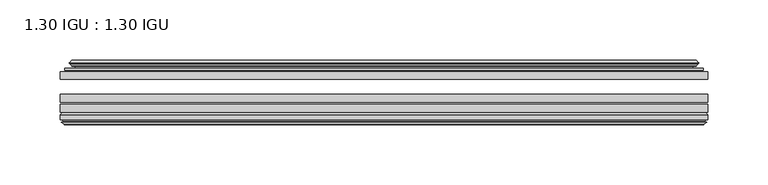
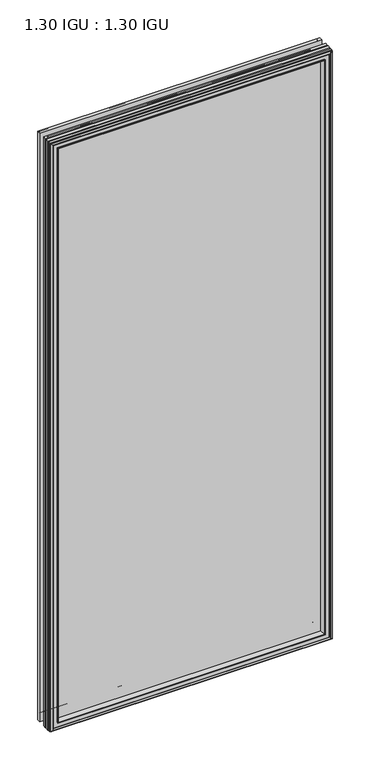
"""IFC4 building model written with IfcOpenShell, lengths in millimetres: plate geometry, 1.30 IGU : 1.30 IGU."""

from ifc_helpers import new_model, si_unit, frame, origin, place, context, project, spatial, polyline, ellipse_curve, outline, extrude, faceted_brep, source, transform, mapped, element, save
from ifc_brep_helpers import plane_surface, cylinder_surface, revolved_surface, advanced_brep


def plate_1_30_igu_1_30_igu_bfd92c26(model_context):
    return source(origin(), model_context, "Body", "SolidModel", [
        extrude(outline(polyline([(268.2205532, -44.92625), (268.2205532, -51.27625), (-268.2875, -51.27625), (-268.2875, -44.92625), (268.2205532, -44.92625)])), frame((0.0, 0.0, -14.2875), z_axis=(0.0, 0.0, 1.0), x_axis=(1.0, 0.0, 0.0)), (0.0, 0.0, 1.0), 1184.275),
        extrude(outline(polyline([(-268.2875, -78.58125), (-268.2875, -72.23125), (268.2205532, -72.23125), (268.2205532, -78.58125), (-268.2875, -78.58125)])), frame((0.0, 0.0, -14.2875), z_axis=(0.0, 0.0, 1.0), x_axis=(1.0, 0.0, 0.0)), (0.0, 0.0, 1.0), 1184.275),
        extrude(outline(polyline([(-268.2875, -70.32625), (-268.2875, -63.97625), (268.2205532, -63.97625), (268.2205532, -70.32625), (-268.2875, -70.32625)])), frame((0.0, 0.0, -14.2875), z_axis=(0.0, 0.0, 1.0), x_axis=(1.0, 0.0, 0.0)), (0.0, 0.0, 1.0), 1184.275),
        advanced_brep(
        [(-249.9522902, -43.8351483, 1151.6522902), (-250.3941004, -44.92625, 1152.0941004), (-250.3941004, -44.92625, 3.6058996), (-249.9522902, -43.8351483, 4.0477098), (-254.0, -36.11245, 1155.7), (-254.0, -36.11245, 0.0), (-259.1859109, -37.2935491, 1160.8859109), (-259.1859109, -37.2935491, -5.1859109), (-258.8563356, -36.4664324, 1160.5563356), (-258.8563356, -36.4664324, -4.8563356), (-258.8563356, -35.6521812, 1160.5563356), (-258.8563356, -35.6521812, -4.8563356), (-260.6726111, -37.610817, 1162.3726111), (-260.6726111, -37.610817, -6.6726111), (-260.6726111, -38.3239429, 1162.3726111), (-260.6726111, -38.3239429, -6.6726111), (-258.8563356, -40.2727974, 1160.5563356), (-258.8563356, -40.2727974, -4.8563356), (-258.8563356, -39.4683275, 1160.5563356), (-258.8563356, -39.4683275, -4.8563356), (-259.1782501, -38.6604367, 1160.8782501), (-259.1782501, -38.6604367, -5.1782501), (-256.6544379, -38.502045, 1158.3544379), (-256.6544379, -38.502045, -2.6544379), (-255.6286217, -39.1897544, 1157.3286217), (-255.6286217, -39.1897544, -1.6286217), (-255.7470288, -40.5842231, 1157.4470288), (-255.7470288, -40.5842231, -1.7470288), (-256.3487748, -42.08145, 1158.0487748), (-256.3487748, -42.08145, -2.3487748), (-264.2745553, -43.9898729, 1165.9745553), (-263.7889245, -42.08145, 1165.4889245), (-263.7889245, -42.08145, -9.7889245), (-264.2745553, -43.9898729, -10.2745553), (-262.5538155, -44.92625, 1164.2538155), (-262.5538155, -44.92625, -8.5538155), (250.3941004, -44.92625, 3.6058996), (249.9522902, -43.8351483, 4.0477098), (254.0, -36.11245, 0.0), (259.1859109, -37.2935491, -5.1859109), (258.8563356, -36.4664324, -4.8563356), (258.8563356, -35.6521812, -4.8563356), (260.6726111, -37.610817, -6.6726111), (260.6726111, -38.3239429, -6.6726111), (258.8563356, -40.2727974, -4.8563356), (258.8563356, -39.4683275, -4.8563356), (259.1782501, -38.6604367, -5.1782501), (256.6544379, -38.502045, -2.6544379), (255.6286217, -39.1897544, -1.6286217), (255.7470288, -40.5842231, -1.7470288), (256.3487748, -42.08145, -2.3487748), (263.7889245, -42.08145, -9.7889245), (264.2745553, -43.9898729, -10.2745553), (262.5538155, -44.92625, -8.5538155), (250.3941004, -44.92625, 1152.0941004), (249.9522902, -43.8351483, 1151.6522902), (254.0, -36.11245, 1155.7), (259.1859109, -37.2935491, 1160.8859109), (258.8563356, -36.4664324, 1160.5563356), (258.8563356, -35.6521812, 1160.5563356), (260.6726111, -37.610817, 1162.3726111), (260.6726111, -38.3239429, 1162.3726111), (258.8563356, -40.2727974, 1160.5563356), (258.8563356, -39.4683275, 1160.5563356), (259.1782501, -38.6604367, 1160.8782501), (256.6544379, -38.502045, 1158.3544379), (255.6286217, -39.1897544, 1157.3286217), (255.7470288, -40.5842231, 1157.4470288), (256.3487748, -42.08145, 1158.0487748), (263.7889245, -42.08145, 1165.4889245), (264.2745553, -43.9898729, 1165.9745553), (262.5538155, -44.92625, 1164.2538155)],
        [
            (0, 1, ellipse_curve(frame((-250.3941004, -44.29125, 1152.0941004), z_axis=(-0.7071067811865475, 0.0, -0.7071067811865475), x_axis=(-0.7071067811865474, 0.0, 0.7071067811865476)), 0.8980256, 0.635)),
            (1, 2),
            (2, 3, ellipse_curve(frame((-250.3941004, -44.29125, 3.6058996), z_axis=(-0.7071067811865475, 0.0, 0.7071067811865475), x_axis=(0.7071067811865474, 0.0, 0.7071067811865476)), 0.8980256, 0.635)),
            (3, 0),
            (4, 0, ellipse_curve(frame((-240.2672054, -33.8367745, 1141.9672054), z_axis=(0.7071067811865475, 0.0, 0.7071067811865475), x_axis=(0.7071067811865474, 0.0, -0.7071067811865476)), 19.6859517, 13.9200699)),
            (3, 5, ellipse_curve(frame((-240.2672054, -33.8367745, 13.7327946), z_axis=(0.7071067811865475, 0.0, -0.7071067811865475), x_axis=(-0.7071067811865474, 0.0, -0.7071067811865476)), 19.6859517, 13.9200699)),
            (5, 4),
            (6, 4),
            (5, 7),
            (7, 6),
            (8, 6),
            (7, 9),
            (9, 8),
            (10, 8),
            (9, 11),
            (11, 10),
            (12, 10),
            (11, 13),
            (13, 12),
            (14, 12, ellipse_curve(frame((-260.3107729, -37.96738, 1162.0107729), z_axis=(-0.7071067811865475, 0.0, -0.7071067811865475), x_axis=(-0.7071067811865474, 0.0, 0.7071067811865476)), 0.7184205, 0.508)),
            (13, 15, ellipse_curve(frame((-260.3107729, -37.96738, -6.3107729), z_axis=(-0.7071067811865475, 0.0, 0.7071067811865475), x_axis=(0.7071067811865474, 0.0, 0.7071067811865476)), 0.7184205, 0.508)),
            (15, 14),
            (16, 14),
            (15, 17),
            (17, 16),
            (18, 16),
            (17, 19),
            (19, 18),
            (20, 18),
            (19, 21),
            (21, 20),
            (22, 20),
            (21, 23),
            (23, 22),
            (24, 22, ellipse_curve(frame((-256.5908, -39.51605, 1158.2908), z_axis=(0.7071067811865475, 0.0, 0.7071067811865475), x_axis=(0.7071067811865474, 0.0, -0.7071067811865476)), 1.436841, 1.016)),
            (23, 25, ellipse_curve(frame((-256.5908, -39.51605, -2.5908), z_axis=(0.7071067811865475, 0.0, -0.7071067811865475), x_axis=(-0.7071067811865474, 0.0, -0.7071067811865476)), 1.436841, 1.016)),
            (25, 24),
            (26, 24, ellipse_curve(frame((-257.9624, -39.69385, 1159.6624), z_axis=(0.7071067811865475, 0.0, 0.7071067811865475), x_axis=(0.7071067811865474, 0.0, -0.7071067811865476)), 3.3765763, 2.3876)),
            (25, 27, ellipse_curve(frame((-257.9624, -39.69385, -3.9624), z_axis=(0.7071067811865475, 0.0, -0.7071067811865475), x_axis=(-0.7071067811865474, 0.0, -0.7071067811865476)), 3.3765763, 2.3876)),
            (27, 26),
            (28, 26),
            (27, 29),
            (29, 28),
            (30, 31, ellipse_curve(frame((-263.7889245, -43.09745, 1165.4889245), z_axis=(-0.7071067811865475, 0.0, -0.7071067811865475), x_axis=(-0.7071067811865474, 0.0, 0.7071067811865476)), 1.436841, 1.016)),
            (31, 32),
            (32, 33, ellipse_curve(frame((-263.7889245, -43.09745, -9.7889245), z_axis=(-0.7071067811865475, 0.0, 0.7071067811865475), x_axis=(0.7071067811865474, 0.0, 0.7071067811865476)), 1.436841, 1.016)),
            (33, 30),
            (34, 30),
            (33, 35),
            (35, 34),
            (2, 36),
            (36, 37, ellipse_curve(frame((250.3941004, -44.29125, 3.6058996), z_axis=(-0.7071067811865475, 0.0, -0.7071067811865475), x_axis=(-0.7071067811865476, 0.0, 0.7071067811865474)), 0.8980256, 0.635)),
            (37, 3),
            (37, 38, ellipse_curve(frame((240.2672054, -33.8367745, 13.7327946), z_axis=(0.7071067811865475, 0.0, 0.7071067811865475), x_axis=(0.7071067811865476, 0.0, -0.7071067811865474)), 19.6859517, 13.9200699)),
            (38, 5),
            (38, 39),
            (39, 7),
            (39, 40),
            (40, 9),
            (40, 41),
            (41, 11),
            (41, 42),
            (42, 13),
            (42, 43, ellipse_curve(frame((260.3107729, -37.96738, -6.3107729), z_axis=(-0.7071067811865475, 0.0, -0.7071067811865475), x_axis=(-0.7071067811865476, 0.0, 0.7071067811865474)), 0.7184205, 0.508)),
            (43, 15),
            (43, 44),
            (44, 17),
            (44, 45),
            (45, 19),
            (45, 46),
            (46, 21),
            (46, 47),
            (47, 23),
            (47, 48, ellipse_curve(frame((256.5908, -39.51605, -2.5908), z_axis=(0.7071067811865475, 0.0, 0.7071067811865475), x_axis=(0.7071067811865476, 0.0, -0.7071067811865474)), 1.436841, 1.016)),
            (48, 25),
            (48, 49, ellipse_curve(frame((257.9624, -39.69385, -3.9624), z_axis=(0.7071067811865475, 0.0, 0.7071067811865475), x_axis=(0.7071067811865476, 0.0, -0.7071067811865474)), 3.3765763, 2.3876)),
            (49, 27),
            (49, 50),
            (50, 29),
            (32, 51),
            (51, 52, ellipse_curve(frame((263.7889245, -43.09745, -9.7889245), z_axis=(-0.7071067811865475, 0.0, -0.7071067811865475), x_axis=(-0.7071067811865476, 0.0, 0.7071067811865474)), 1.436841, 1.016)),
            (52, 33),
            (52, 53),
            (53, 35),
            (36, 54),
            (54, 55, ellipse_curve(frame((250.3941004, -44.29125, 1152.0941004), z_axis=(0.7071067811865475, 0.0, -0.7071067811865475), x_axis=(-0.7071067811865474, 0.0, -0.7071067811865476)), 0.8980256, 0.635)),
            (55, 37),
            (55, 56, ellipse_curve(frame((240.2672054, -33.8367745, 1141.9672054), z_axis=(-0.7071067811865475, 0.0, 0.7071067811865475), x_axis=(0.7071067811865474, 0.0, 0.7071067811865476)), 19.6859517, 13.9200699)),
            (56, 38),
            (56, 57),
            (57, 39),
            (57, 58),
            (58, 40),
            (58, 59),
            (59, 41),
            (59, 60),
            (60, 42),
            (60, 61, ellipse_curve(frame((260.3107729, -37.96738, 1162.0107729), z_axis=(0.7071067811865475, 0.0, -0.7071067811865475), x_axis=(-0.7071067811865474, 0.0, -0.7071067811865476)), 0.7184205, 0.508)),
            (61, 43),
            (61, 62),
            (62, 44),
            (62, 63),
            (63, 45),
            (63, 64),
            (64, 46),
            (64, 65),
            (65, 47),
            (65, 66, ellipse_curve(frame((256.5908, -39.51605, 1158.2908), z_axis=(-0.7071067811865475, 0.0, 0.7071067811865475), x_axis=(0.7071067811865474, 0.0, 0.7071067811865476)), 1.436841, 1.016)),
            (66, 48),
            (66, 67, ellipse_curve(frame((257.9624, -39.69385, 1159.6624), z_axis=(-0.7071067811865475, 0.0, 0.7071067811865475), x_axis=(0.7071067811865474, 0.0, 0.7071067811865476)), 3.3765763, 2.3876)),
            (67, 49),
            (67, 68),
            (68, 50),
            (51, 69),
            (69, 70, ellipse_curve(frame((263.7889245, -43.09745, 1165.4889245), z_axis=(0.7071067811865475, 0.0, -0.7071067811865475), x_axis=(-0.7071067811865474, 0.0, -0.7071067811865476)), 1.436841, 1.016)),
            (70, 52),
            (70, 71),
            (71, 53),
            (54, 1),
            (0, 55),
            (4, 56),
            (6, 57),
            (8, 58),
            (10, 59),
            (12, 60),
            (14, 61),
            (16, 62),
            (18, 63),
            (20, 64),
            (22, 65),
            (24, 66),
            (26, 67),
            (28, 68),
            (31, 69),
            (30, 70),
            (34, 71),
        ],
        [
            cylinder_surface(frame((-250.3941004, -44.29125, 1187.45), z_axis=(0.0, 0.0, 1.0), x_axis=(-1.0, 0.0, 0.0)), 0.635),
            revolved_surface(polyline([(-254.18727529999998, -33.8367745, -0.18727534118079348), (-254.18727529999998, -33.8367745, 1155.8872753411808)]), (-240.2672054, -33.8367745, 1187.45), (0.0, 0.0, -1.0)),
            plane_surface(frame((-254.0, -36.11245, 1155.7), z_axis=(-0.22206498442778655, 0.975031867525922, 0.0), x_axis=(0.0, 0.0, -1.0))),
            plane_surface(frame((-259.1859109, -37.2935491, 1160.8859109), z_axis=(0.9289682685629922, -0.3701593656833182, 0.0), x_axis=(0.0, 0.0, -1.0))),
            plane_surface(frame((-258.8563356, -36.4664324, 1160.5563356), z_axis=(1.0, 0.0, 0.0), x_axis=(0.0, 0.0, -1.0))),
            plane_surface(frame((-258.8563356, -35.6521812, 1160.5563356), z_axis=(-0.7332521292723956, 0.6799568478348448, 0.0), x_axis=(0.0, 0.0, -1.0))),
            cylinder_surface(frame((-260.3107729, -37.96738, 1187.45), z_axis=(0.0, 0.0, 1.0), x_axis=(-1.0, 0.0, 0.0)), 0.508),
            plane_surface(frame((-260.6726111, -38.3239429, 1162.3726111), z_axis=(-0.7315522693036389, -0.6817853601220082, 0.0), x_axis=(0.0, 0.0, -1.0))),
            plane_surface(frame((-258.8563356, -40.2727974, 1160.5563356), z_axis=(1.0, 0.0, 0.0), x_axis=(0.0, 0.0, -1.0))),
            plane_surface(frame((-258.8563356, -39.4683275, 1160.5563356), z_axis=(0.9289682685631103, 0.37015936568302166, 0.0), x_axis=(0.0, 0.0, -1.0))),
            plane_surface(frame((-259.1782501, -38.6604367, 1160.8782501), z_axis=(0.06263570119321643, -0.9980364567169048, 0.0), x_axis=(0.0, 0.0, -1.0))),
            revolved_surface(polyline([(-257.6068, -39.51605, -3.6068000145867245), (-257.6068, -39.51605, 1159.3068000145868)]), (-256.5908, -39.51605, 1187.45), (0.0, 0.0, -1.0)),
            revolved_surface(polyline([(-260.35, -39.69385, -6.3499999989237494), (-260.35, -39.69385, 1162.0499999989238)]), (-257.9624, -39.69385, 1187.45), (0.0, 0.0, -1.0)),
            plane_surface(frame((-255.7470288, -40.5842231, 1157.4470288), z_axis=(-0.9278652925428912, 0.372915538553028, 0.0), x_axis=(0.0, 0.0, -1.0))),
            cylinder_surface(frame((-263.7889245, -43.09745, 1187.45), z_axis=(0.0, 0.0, 1.0), x_axis=(-1.0, 0.0, 0.0)), 1.016),
            plane_surface(frame((-264.2745553, -43.9898729, 1165.9745553), z_axis=(-0.477983117370979, -0.8783690223979446, 0.0), x_axis=(0.0, 0.0, -1.0))),
            cylinder_surface(frame((-285.75, -44.29125, 3.6058996), z_axis=(-1.0, 0.0, 0.0), x_axis=(0.0, 0.0, -1.0)), 0.635),
            revolved_surface(polyline([(254.1872753411808, -33.8367745, -0.1872752999999996), (-254.18727534118085, -33.8367745, -0.1872752999999996)]), (-285.75, -33.8367745, 13.7327946), (1.0, 0.0, 0.0)),
            plane_surface(frame((-254.0, -36.11245, 0.0), z_axis=(0.0, 0.9750318675259212, -0.2220649844277897), x_axis=(1.0, 0.0, 0.0))),
            plane_surface(frame((-259.1859109, -37.2935491, -5.1859109), z_axis=(0.0, -0.3701593656833152, 0.9289682685629934), x_axis=(1.0, 0.0, 0.0))),
            plane_surface(frame((-258.8563356, -36.4664324, -4.8563356), z_axis=(0.0, 0.0, 1.0), x_axis=(1.0, 0.0, 0.0))),
            plane_surface(frame((-258.8563356, -35.6521812, -4.8563356), z_axis=(0.0, 0.6799568478348423, -0.7332521292723978), x_axis=(1.0, 0.0, 0.0))),
            cylinder_surface(frame((-285.75, -37.96738, -6.3107729), z_axis=(-1.0, 0.0, 0.0), x_axis=(0.0, 0.0, -1.0)), 0.508),
            plane_surface(frame((-260.6726111, -38.3239429, -6.6726111), z_axis=(0.0, -0.6817853601220105, -0.7315522693036367), x_axis=(1.0, 0.0, 0.0))),
            plane_surface(frame((-258.8563356, -40.2727974, -4.8563356), z_axis=(0.0, 0.0, 1.0), x_axis=(1.0, 0.0, 0.0))),
            plane_surface(frame((-258.8563356, -39.4683275, -4.8563356), z_axis=(0.0, 0.37015936568302465, 0.9289682685631091), x_axis=(1.0, 0.0, 0.0))),
            plane_surface(frame((-259.1782501, -38.6604367, -5.1782501), z_axis=(0.0, -0.9980364567169046, 0.06263570119321968), x_axis=(1.0, 0.0, 0.0))),
            revolved_surface(polyline([(257.60680001458684, -39.51605, -3.6068000000000002), (-257.60680001458684, -39.51605, -3.6068000000000002)]), (-285.75, -39.51605, -2.5908), (1.0, 0.0, 0.0)),
            revolved_surface(polyline([(260.34999999892375, -39.69385, -6.35), (-260.3499999989238, -39.69385, -6.35)]), (-285.75, -39.69385, -3.9624), (1.0, 0.0, 0.0)),
            plane_surface(frame((-255.7470288, -40.5842231, -1.7470288), z_axis=(0.0, 0.372915538553025, -0.9278652925428924), x_axis=(1.0, 0.0, 0.0))),
            cylinder_surface(frame((-285.75, -43.09745, -9.7889245), z_axis=(-1.0, 0.0, 0.0), x_axis=(0.0, 0.0, -1.0)), 1.016),
            plane_surface(frame((-264.2745553, -43.9898729, -10.2745553), z_axis=(0.0, -0.8783690223979462, -0.47798311737097615), x_axis=(1.0, 0.0, 0.0))),
            cylinder_surface(frame((250.3941004, -44.29125, -31.75), z_axis=(0.0, 0.0, -1.0), x_axis=(1.0, 0.0, 0.0)), 0.635),
            revolved_surface(polyline([(254.18727529999998, -33.8367745, 1155.8872753411808), (254.18727529999998, -33.8367745, -0.1872753411808432)]), (240.2672054, -33.8367745, -31.75), (0.0, 0.0, 1.0)),
            plane_surface(frame((254.0, -36.11245, 0.0), z_axis=(0.2220649844277929, 0.9750318675259205, 0.0), x_axis=(0.0, 0.0, 1.0))),
            plane_surface(frame((259.1859109, -37.2935491, -5.1859109), z_axis=(-0.9289682685629946, -0.3701593656833122, 0.0), x_axis=(0.0, 0.0, 1.0))),
            plane_surface(frame((258.8563356, -36.4664324, -4.8563356), z_axis=(-1.0, 0.0, 0.0), x_axis=(0.0, 0.0, 1.0))),
            plane_surface(frame((258.8563356, -35.6521812, -4.8563356), z_axis=(0.7332521292724, 0.6799568478348399, 0.0), x_axis=(0.0, 0.0, 1.0))),
            cylinder_surface(frame((260.3107729, -37.96738, -31.75), z_axis=(0.0, 0.0, -1.0), x_axis=(1.0, 0.0, 0.0)), 0.508),
            plane_surface(frame((260.6726111, -38.3239429, -6.6726111), z_axis=(0.7315522693036345, -0.6817853601220129, 0.0), x_axis=(0.0, 0.0, 1.0))),
            plane_surface(frame((258.8563356, -40.2727974, -4.8563356), z_axis=(-1.0, 0.0, 0.0), x_axis=(0.0, 0.0, 1.0))),
            plane_surface(frame((258.8563356, -39.4683275, -4.8563356), z_axis=(-0.928968268563108, 0.3701593656830277, 0.0), x_axis=(0.0, 0.0, 1.0))),
            plane_surface(frame((259.1782501, -38.6604367, -5.1782501), z_axis=(-0.06263570119322293, -0.9980364567169043, 0.0), x_axis=(0.0, 0.0, 1.0))),
            revolved_surface(polyline([(257.6068, -39.51605, 1159.3068000145868), (257.6068, -39.51605, -3.606800014586863)]), (256.5908, -39.51605, -31.75), (0.0, 0.0, 1.0)),
            revolved_surface(polyline([(260.35, -39.69385, 1162.0499999989238), (260.35, -39.69385, -6.349999998923781)]), (257.9624, -39.69385, -31.75), (0.0, 0.0, 1.0)),
            plane_surface(frame((255.7470288, -40.5842231, -1.7470288), z_axis=(0.9278652925428936, 0.372915538553022, 0.0), x_axis=(0.0, 0.0, 1.0))),
            cylinder_surface(frame((263.7889245, -43.09745, -31.75), z_axis=(0.0, 0.0, -1.0), x_axis=(1.0, 0.0, 0.0)), 1.016),
            plane_surface(frame((264.2745553, -43.9898729, -10.2745553), z_axis=(0.47798311737097327, -0.8783690223979478, 0.0), x_axis=(0.0, 0.0, 1.0))),
            cylinder_surface(frame((285.75, -44.29125, 1152.0941004), z_axis=(1.0, 0.0, 0.0), x_axis=(0.0, 0.0, 1.0)), 0.635),
            revolved_surface(polyline([(-254.1872753411808, -33.8367745, 1155.8872753), (254.18727534118085, -33.8367745, 1155.8872753)]), (285.75, -33.8367745, 1141.9672054), (-1.0, 0.0, 0.0)),
            plane_surface(frame((254.0, -36.11245, 1155.7), z_axis=(0.0, 0.9750318675259213, 0.22206498442778974), x_axis=(-1.0, 0.0, 0.0))),
            plane_surface(frame((259.1859109, -37.2935491, 1160.8859109), z_axis=(0.0, -0.3701593656833152, -0.9289682685629934), x_axis=(-1.0, 0.0, 0.0))),
            plane_surface(frame((258.8563356, -36.4664324, 1160.5563356), z_axis=(0.0, 0.0, -1.0), x_axis=(-1.0, 0.0, 0.0))),
            plane_surface(frame((258.8563356, -35.6521812, 1160.5563356), z_axis=(0.0, 0.6799568478348423, 0.7332521292723978), x_axis=(-1.0, 0.0, 0.0))),
            cylinder_surface(frame((285.75, -37.96738, 1162.0107729), z_axis=(1.0, 0.0, 0.0), x_axis=(0.0, 0.0, 1.0)), 0.508),
            plane_surface(frame((260.6726111, -38.3239429, 1162.3726111), z_axis=(0.0, -0.6817853601220105, 0.7315522693036367), x_axis=(-1.0, 0.0, 0.0))),
            plane_surface(frame((258.8563356, -40.2727974, 1160.5563356), z_axis=(0.0, 0.0, -1.0), x_axis=(-1.0, 0.0, 0.0))),
            plane_surface(frame((258.8563356, -39.4683275, 1160.5563356), z_axis=(0.0, 0.3701593656830247, -0.9289682685631092), x_axis=(-1.0, 0.0, 0.0))),
            plane_surface(frame((259.1782501, -38.6604367, 1160.8782501), z_axis=(0.0, -0.9980364567169046, -0.06263570119321968), x_axis=(-1.0, 0.0, 0.0))),
            revolved_surface(polyline([(-257.60680001458684, -39.51605, 1159.3068), (257.60680001458684, -39.51605, 1159.3068)]), (285.75, -39.51605, 1158.2908), (-1.0, 0.0, 0.0)),
            revolved_surface(polyline([(-260.34999999892375, -39.69385, 1162.05), (260.3499999989238, -39.69385, 1162.05)]), (285.75, -39.69385, 1159.6624), (-1.0, 0.0, 0.0)),
            plane_surface(frame((255.7470288, -40.5842231, 1157.4470288), z_axis=(0.0, 0.372915538553025, 0.9278652925428924), x_axis=(-1.0, 0.0, 0.0))),
            plane_surface(frame((256.3487748, -42.08145, 1158.0487748), z_axis=(0.0, 1.0, 0.0), x_axis=(-1.0, 0.0, 0.0))),
            cylinder_surface(frame((285.75, -43.09745, 1165.4889245), z_axis=(1.0, 0.0, 0.0), x_axis=(0.0, 0.0, 1.0)), 1.016),
            plane_surface(frame((264.2745553, -43.9898729, 1165.9745553), z_axis=(0.0, -0.8783690223979462, 0.47798311737097615), x_axis=(-1.0, 0.0, 0.0))),
            plane_surface(frame((262.5538155, -44.92625, 1164.2538155), z_axis=(0.0, -1.0, 0.0), x_axis=(-1.0, 0.0, 0.0))),
        ],
        [
            (0, [[1, 2, 3, 4]]),
            (1, [[5, -4, 6, 7]]),
            (2, [[8, -7, 9, 10]]),
            (3, [[11, -10, 12, 13]]),
            (4, [[14, -13, 15, 16]]),
            (5, [[17, -16, 18, 19]]),
            (6, [[20, -19, 21, 22]]),
            (7, [[23, -22, 24, 25]]),
            (8, [[26, -25, 27, 28]]),
            (9, [[29, -28, 30, 31]]),
            (10, [[32, -31, 33, 34]]),
            (11, [[35, -34, 36, 37]]),
            (12, [[38, -37, 39, 40]]),
            (13, [[41, -40, 42, 43]]),
            (14, [[44, 45, 46, 47]]),
            (15, [[48, -47, 49, 50]]),
            (16, [[-3, 51, 52, 53]]),
            (17, [[-6, -53, 54, 55]]),
            (18, [[-9, -55, 56, 57]]),
            (19, [[-12, -57, 58, 59]]),
            (20, [[-15, -59, 60, 61]]),
            (21, [[-18, -61, 62, 63]]),
            (22, [[-21, -63, 64, 65]]),
            (23, [[-24, -65, 66, 67]]),
            (24, [[-27, -67, 68, 69]]),
            (25, [[-30, -69, 70, 71]]),
            (26, [[-33, -71, 72, 73]]),
            (27, [[-36, -73, 74, 75]]),
            (28, [[-39, -75, 76, 77]]),
            (29, [[-42, -77, 78, 79]]),
            (30, [[-46, 80, 81, 82]]),
            (31, [[-49, -82, 83, 84]]),
            (32, [[-52, 85, 86, 87]]),
            (33, [[-54, -87, 88, 89]]),
            (34, [[-56, -89, 90, 91]]),
            (35, [[-58, -91, 92, 93]]),
            (36, [[-60, -93, 94, 95]]),
            (37, [[-62, -95, 96, 97]]),
            (38, [[-64, -97, 98, 99]]),
            (39, [[-66, -99, 100, 101]]),
            (40, [[-68, -101, 102, 103]]),
            (41, [[-70, -103, 104, 105]]),
            (42, [[-72, -105, 106, 107]]),
            (43, [[-74, -107, 108, 109]]),
            (44, [[-76, -109, 110, 111]]),
            (45, [[-78, -111, 112, 113]]),
            (46, [[-81, 114, 115, 116]]),
            (47, [[-83, -116, 117, 118]]),
            (48, [[-86, 119, -1, 120]]),
            (49, [[-88, -120, -5, 121]]),
            (50, [[-90, -121, -8, 122]]),
            (51, [[-92, -122, -11, 123]]),
            (52, [[-94, -123, -14, 124]]),
            (53, [[-96, -124, -17, 125]]),
            (54, [[-98, -125, -20, 126]]),
            (55, [[-100, -126, -23, 127]]),
            (56, [[-102, -127, -26, 128]]),
            (57, [[-104, -128, -29, 129]]),
            (58, [[-106, -129, -32, 130]]),
            (59, [[-108, -130, -35, 131]]),
            (60, [[-110, -131, -38, 132]]),
            (61, [[-112, -132, -41, 133]]),
            (62, [[134, -114, -80, -45], [-79, -113, -133, -43]]),
            (63, [[-115, -134, -44, 135]]),
            (64, [[-117, -135, -48, 136]]),
            (65, [[-84, -118, -136, -50], [-119, -85, -51, -2]]),
        ],
    ),
        faceted_brep([(-250.1457827, -78.58125, 1151.8457827), (-252.7120798, -87.47125, 1154.4120798), (-252.7120798, -87.47125, 1.2879202), (-250.1457827, -78.58125, 3.8542173), (-268.3002, -80.7883102, 1170.0002), (-266.0931398, -78.58125, 1167.7931398), (-266.0931398, -78.58125, -12.0931398), (-268.3002, -80.7883102, -14.3002), (-268.3002, -84.93125, 1170.0002), (-268.3002, -84.93125, -14.3002), (-265.8811775, -86.11489, 1167.5811775), (-266.7203682, -84.93125, 1168.4203682), (-266.7203682, -84.93125, -12.7203682), (-265.8811775, -86.11489, -11.8811775), (-265.684, -87.4125884, 1167.384), (-265.684, -87.4125884, -11.684), (-266.65966, -86.8828917, 1168.35966), (-266.65966, -86.8828917, -12.65966), (-265.1252, -88.6999663, 1166.8252), (-267.4523305, -86.8828917, 1169.1523305), (-267.4523305, -86.8828917, -13.4523305), (-265.1252, -88.6999663, -11.1252), (-262.7980695, -86.8828917, 1164.4980695), (-262.7980695, -86.8828917, -8.7980695), (-264.5664, -87.4125884, 1166.2664), (-263.59074, -86.8828917, 1165.29074), (-263.59074, -86.8828917, -9.59074), (-264.5664, -87.4125884, -10.5664), (-264.3692225, -86.11489, 1166.0692225), (-264.3692225, -86.11489, -10.3692225), (-263.4996, -84.93125, 1165.1996), (-263.4996, -84.93125, -9.4996), (-254.3513667, -87.47125, 1156.0513667), (-253.8222, -84.93125, 1155.5222), (-253.8222, -84.93125, 0.1778), (-254.3513667, -87.47125, -0.3513667), (252.7120798, -87.47125, 1.2879202), (250.1457827, -78.58125, 3.8542173), (266.0931398, -78.58125, -12.0931398), (268.3002, -80.7883102, -14.3002), (268.3002, -84.93125, -14.3002), (266.7203682, -84.93125, -12.7203682), (265.8811775, -86.11489, -11.8811775), (265.684, -87.4125884, -11.684), (266.65966, -86.8828917, -12.65966), (267.4523305, -86.8828917, -13.4523305), (265.1252, -88.6999663, -11.1252), (262.7980695, -86.8828917, -8.7980695), (263.59074, -86.8828917, -9.59074), (264.5664, -87.4125884, -10.5664), (264.3692225, -86.11489, -10.3692225), (263.4996, -84.93125, -9.4996), (253.8222, -84.93125, 0.1778), (254.3513667, -87.47125, -0.3513667), (252.7120798, -87.47125, 1154.4120798), (250.1457827, -78.58125, 1151.8457827), (266.0931398, -78.58125, 1167.7931398), (268.3002, -80.7883102, 1170.0002), (268.3002, -84.93125, 1170.0002), (266.7203682, -84.93125, 1168.4203682), (265.8811775, -86.11489, 1167.5811775), (265.684, -87.4125884, 1167.384), (266.65966, -86.8828917, 1168.35966), (267.4523305, -86.8828917, 1169.1523305), (265.1252, -88.6999663, 1166.8252), (262.7980695, -86.8828917, 1164.4980695), (263.59074, -86.8828917, 1165.29074), (264.5664, -87.4125884, 1166.2664), (264.3692225, -86.11489, 1166.0692225), (263.4996, -84.93125, 1165.1996), (253.8222, -84.93125, 1155.5222), (254.3513667, -87.47125, 1156.0513667)], [[[0, 1, 2, 3]], [[4, 5, 6, 7]], [[8, 4, 7, 9]], [[10, 11, 12, 13]], [[14, 10, 13, 15]], [[16, 14, 15, 17]], [[18, 19, 20, 21]], [[22, 18, 21, 23]], [[24, 25, 26, 27]], [[28, 24, 27, 29]], [[30, 28, 29, 31]], [[32, 33, 34, 35]], [[3, 2, 36, 37]], [[7, 6, 38, 39]], [[9, 7, 39, 40]], [[13, 12, 41, 42]], [[15, 13, 42, 43]], [[17, 15, 43, 44]], [[21, 20, 45, 46]], [[23, 21, 46, 47]], [[27, 26, 48, 49]], [[29, 27, 49, 50]], [[31, 29, 50, 51]], [[35, 34, 52, 53]], [[37, 36, 54, 55]], [[39, 38, 56, 57]], [[40, 39, 57, 58]], [[42, 41, 59, 60]], [[43, 42, 60, 61]], [[44, 43, 61, 62]], [[46, 45, 63, 64]], [[47, 46, 64, 65]], [[49, 48, 66, 67]], [[50, 49, 67, 68]], [[51, 50, 68, 69]], [[53, 52, 70, 71]], [[55, 54, 1, 0]], [[5, 56, 38, 6], [3, 37, 55, 0]], [[57, 56, 5, 4]], [[58, 57, 4, 8]], [[9, 40, 58, 8], [11, 59, 41, 12]], [[60, 59, 11, 10]], [[61, 60, 10, 14]], [[62, 61, 14, 16]], [[19, 63, 45, 20], [17, 44, 62, 16]], [[64, 63, 19, 18]], [[65, 64, 18, 22]], [[25, 66, 48, 26], [23, 47, 65, 22]], [[67, 66, 25, 24]], [[68, 67, 24, 28]], [[69, 68, 28, 30]], [[31, 51, 69, 30], [33, 70, 52, 34]], [[71, 70, 33, 32]], [[35, 53, 71, 32], [1, 54, 36, 2]]]),
    ])


if __name__ == "__main__":
    model = new_model("IFC4")
    model_context = context("Model", 3, world=origin())
    ifc_project = project(units=[si_unit("LENGTHUNIT", "METRE", prefix="MILLI")], contexts=[model_context])
    site = spatial("IfcSite", under=ifc_project)
    building = spatial("IfcBuilding", under=site)
    placement = place(None, origin())
    plate_1_30_igu_1_30_igu_shape = plate_1_30_igu_1_30_igu_bfd92c26(model_context)
    element("IfcPlate", 1, ObjectType="1.30 IGU : 1.30 IGU", at=placement, inside=building, context=model_context, shape_type="MappedRepresentation", body=[
        mapped(plate_1_30_igu_1_30_igu_shape, transform((0.0, 0.0, 0.0), x_axis=(1.0, 0.0, 0.0), y_axis=(0.0, 1.0, 0.0), z_axis=(0.0, 0.0, 1.0))),
    ])
    save(model, "model.ifc")
